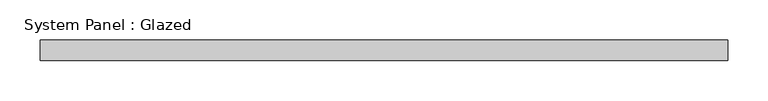
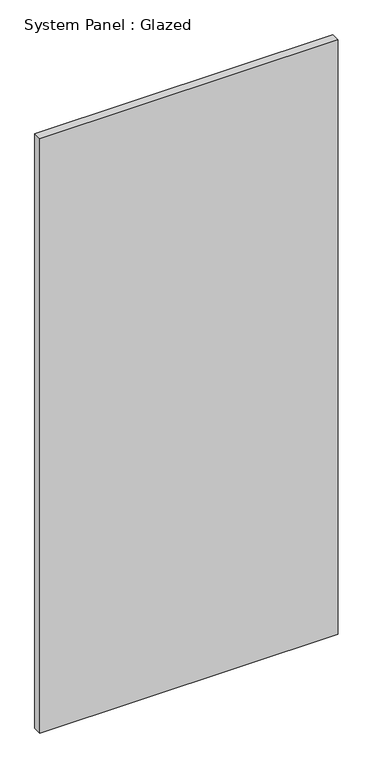
"""IFC4 building model written with IfcOpenShell, lengths in millimetres: plate geometry, System Panel : Glazed."""

from ifc_helpers import new_model, si_unit, origin, origin_with_axes, place, context, project, spatial, polyline, outline, extrude, source, transform, mapped, element, save


def system_panel_glazed_3d296465(model_context):
    return source(origin(), model_context, "Body", "SweptSolid", [
        extrude(outline(polyline([(425.0, -49.5), (-425.0, -49.5), (-425.0, -24.5), (425.0, -24.5), (425.0, -49.5)])), origin_with_axes(), (0.0, 0.0, 1.0), 1791.6666667),
    ])


if __name__ == "__main__":
    model = new_model("IFC4")
    model_context = context("Model", 3, world=origin())
    ifc_project = project(units=[si_unit("LENGTHUNIT", "METRE", prefix="MILLI")], contexts=[model_context])
    site = spatial("IfcSite", under=ifc_project)
    building = spatial("IfcBuilding", under=site)
    placement = place(None, origin())
    system_panel_glazed_shape = system_panel_glazed_3d296465(model_context)
    element("IfcPlate", 1, ObjectType="System Panel : Glazed", at=placement, inside=building, context=model_context, shape_type="MappedRepresentation", body=[
        mapped(system_panel_glazed_shape, transform((0.0, 0.0, 0.0), x_axis=(1.0, 0.0, 0.0), y_axis=(0.0, 1.0, 0.0), z_axis=(0.0, 0.0, 1.0))),
    ])
    save(model, "model.ifc")
